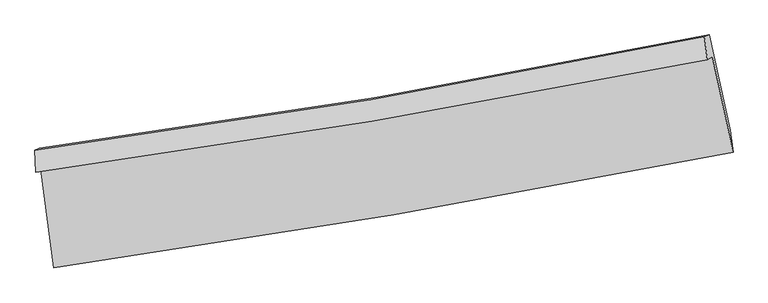
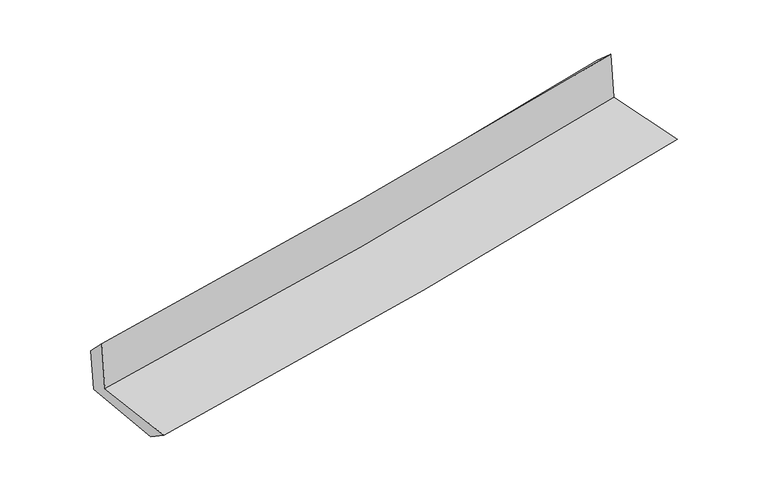
"""IFC4 building model written with IfcOpenShell, lengths in millimetres: proxy geometry."""

from ifc_helpers import new_model, si_unit, frame, origin, place, context, project, spatial, source, transform, mapped, element, save
from ifc_brep_helpers import plane_surface, spline_curve, spline_surface, advanced_brep


def generic_models_895ae613(model_context):
    return source(origin(), model_context, "Body", "AdvancedBrep", [
        advanced_brep(
        [(-2309.2007922, -1867.8184084, 1680.2871891), (-2220.4952421, -2538.6062013, 1657.3931065), (2394.7717183, -1752.8160839, 2098.2752002), (2254.302731, -1106.1298452, 2115.4695719), (-2345.1984222, -1888.7188188, 2090.4367416), (2219.4841772, -1126.2161559, 2510.9794102), (-2350.2139518, -1739.2619069, 1939.2041631), (2200.0085156, -969.525108, 2367.9768915), (-2319.0546213, -1726.5384937, 1591.5222278), (2232.5575672, -956.3523692, 2010.402428), (-2231.0735316, -2378.8483775, 1551.0370221), (2375.1355344, -1604.3886292, 1974.8188506)],
        [
            (0, 1),
            (1, 2, spline_curve(3, [(-2220.4952421, -2538.6062013, 1657.3931065), (-1448.347352774, -2430.311171186, 1726.320262009), (-678.352624533, -2310.818482405, 1797.45427013), (860.085172405, -2048.968931691, 1944.399105375), (1628.512764396, -1906.531581049, 2020.225795044), (2394.7717183, -1752.8160839, 2098.2752002)], [4, 2, 4], [0.0, 7.6558150112914864, 15.33909556852398])),
            (2, 3),
            (3, 0, spline_curve(3, [(2254.302731, -1106.1298452, 2115.4695719), (1496.699445702, -1257.108347036, 2038.316944652), (736.921020121, -1396.163988611, 1963.414519462), (-784.262344118, -1649.975086803, 1818.369784002), (-1545.651759647, -1764.815633179, 1748.211414979), (-2309.2007922, -1867.8184084, 1680.2871891)], [4, 2, 4], [0.0, 7.683280557232494, 15.33909556852398])),
            (4, 0),
            (3, 5),
            (5, 4, spline_curve(3, [(2219.4841772, -1126.2161559, 2510.9794102), (1460.963194253, -1277.779099655, 2444.534252755), (700.628132914, -1417.19452361, 2376.200325283), (-820.945680189, -1671.275385177, 2236.005956317), (-1582.171485316, -1786.027515668, 2164.158994381), (-2345.1984222, -1888.7188188, 2090.4367416)], [4, 2, 4], [0.0, 7.637801228619741, 15.24829948698214])),
            (6, 4),
            (5, 7),
            (7, 6, spline_curve(3, [(2200.0085156, -969.525108, 2367.9768915), (1445.178019971, -1125.154871722, 2293.46560656), (687.894228312, -1267.205070169, 2220.417540361), (-828.864102589, -1523.687090403, 2077.50373994), (-1588.321133222, -1638.215825071, 2007.627563447), (-2350.2139518, -1739.2619069, 1939.2041631)], [4, 2, 4], [0.0, 7.6278450170474486, 15.228422654466362])),
            (8, 6),
            (7, 9),
            (9, 8, spline_curve(3, [(2232.5575672, -956.3523692, 2010.402428), (1477.193517339, -1112.18278412, 1940.861774684), (719.527201173, -1254.370706462, 1871.121906056), (-797.693292121, -1511.002053133, 1731.493750905), (-1557.231038681, -1625.542838747, 1661.606886069), (-2319.0546213, -1726.5384937, 1591.5222278)], [4, 2, 4], [0.0, 7.618376791981885, 15.209520050550868])),
            (10, 8),
            (9, 11),
            (11, 10, spline_curve(3, [(2375.1355344, -1604.3886292, 1974.8188506), (1611.527097856, -1766.246330217, 1904.150660696), (845.179921796, -1911.799911433, 1833.438100021), (-690.242645468, -2169.83680385, 1692.177174112), (-1459.298491602, -2282.436472254, 1621.629124975), (-2231.0735316, -2378.8483775, 1551.0370221)], [4, 2, 4], [0.0, 7.664116548710579, 15.30083605736804])),
            (1, 10),
            (11, 2),
        ],
        [
            spline_surface(3, 3, [[(-2309.2007922, -1867.8184084, 1680.2871891), (-1545.651759655, -1764.815633212, 1748.211415025), (-784.262344132, -1649.975086916, 1818.369784066), (736.921020135, -1396.163988498, 1963.414519399), (1496.699445723, -1257.108347076, 2038.316944668), (2254.302731, -1106.1298452, 2115.4695719)], [(-2279.63227552, -2091.414339363, 1672.655828215), (-1513.216957383, -1986.647479171, 1740.914364004), (-748.959104262, -1870.256218772, 1811.39794611), (777.975737567, -1613.765636184, 1957.076048055), (1540.637218589, -1473.582758393, 2032.286561483), (2301.125726773, -1321.691924752, 2109.738114688)], [(-2250.06375878, -2315.010270337, 1665.024467385), (-1480.782155052, -2208.479325139, 1733.617313038), (-713.655864411, -2090.537350655, 1804.426108124), (819.030454982, -1831.367283897, 1950.73757668), (1584.574991434, -1690.057169756, 2026.256178235), (2347.948722527, -1537.254004348, 2104.006657412)], [(-2220.4952421, -2538.6062013, 1657.3931065), (-1448.34735278, -2430.311171097, 1726.320262017), (-678.352624541, -2310.818482512, 1797.454270168), (860.085172414, -2048.968931583, 1944.399105336), (1628.5127643, -1906.531581073, 2020.22579505), (2394.7717183, -1752.8160839, 2098.2752002)]], [4, 4], [4, 2, 4], [0.0, 2.188404717754831], [0.0, 7.6558150112914864, 15.33909556852398]),
            spline_surface(3, 3, [[(-2345.1984222, -1888.7188188, 2090.4367416), (-1582.171485197, -1786.027515599, 2164.158994284), (-820.945680091, -1671.275385228, 2236.005956274), (700.628132815, -1417.194523559, 2376.200325327), (1460.963194195, -1277.779099645, 2444.534252827), (2219.4841772, -1126.2161559, 2510.9794102)], [(-2333.199212195, -1881.752015334, 1953.720224114), (-1569.998243344, -1778.956888137, 2025.509801211), (-808.717901441, -1664.175285788, 2096.79389886), (712.725761918, -1410.184345202, 2238.605056673), (1472.87527803, -1270.88884879, 2309.128483411), (2231.090361792, -1119.520719001, 2379.142797404)], [(-2321.200002205, -1874.785211866, 1817.003706586), (-1557.825001507, -1771.886260674, 1886.860608097), (-796.490122781, -1657.075186356, 1957.58184148), (724.823391032, -1403.174166854, 2101.009788053), (1484.787361888, -1263.998597931, 2173.722714083), (2242.696546408, -1112.825282099, 2247.306184696)], [(-2309.2007922, -1867.8184084, 1680.2871891), (-1545.651759655, -1764.815633212, 1748.211415025), (-784.262344132, -1649.975086916, 1818.369784066), (736.921020135, -1396.163988498, 1963.414519399), (1496.699445723, -1257.108347076, 2038.316944668), (2254.302731, -1106.1298452, 2115.4695719)]], [4, 4], [4, 2, 4], [0.0, 1.3692238753546135], [0.0, 7.610498258362398, 15.24829948698214]),
            spline_surface(3, 3, [[(-2350.2139518, -1739.2619069, 1939.2041631), (-1588.32113334, -1638.215824953, 2007.62756357), (-828.864102533, -1523.687090449, 2077.503739983), (687.894228256, -1267.205070123, 2220.417540319), (1445.178019917, -1125.15487168, 2293.465606668), (2200.0085156, -969.525108, 2367.9768915)], [(-2348.542108583, -1789.080877526, 1989.615022595), (-1586.271250609, -1687.486388494, 2059.804707136), (-826.224628402, -1572.883188717, 2130.337812086), (692.138863093, -1317.20155461, 2272.345135327), (1450.439744684, -1176.029614328, 2343.821822051), (2206.500402808, -1021.755457294, 2415.644397731)], [(-2346.870265417, -1838.899848174, 2040.025882105), (-1584.221367928, -1736.756952058, 2111.981850717), (-823.585154222, -1622.07928696, 2183.171884171), (696.383497978, -1367.198039072, 2324.272730318), (1455.701469428, -1226.904356996, 2394.178037443), (2212.992289992, -1073.985806606, 2463.311903969)], [(-2345.1984222, -1888.7188188, 2090.4367416), (-1582.171485197, -1786.027515599, 2164.158994284), (-820.945680091, -1671.275385228, 2236.005956274), (700.628132815, -1417.194523559, 2376.200325327), (1460.963194195, -1277.779099645, 2444.534252827), (2219.4841772, -1126.2161559, 2510.9794102)]], [4, 4], [4, 2, 4], [0.0, 0.7108032242004135], [0.0, 7.600577637418914, 15.228422654466362]),
            spline_surface(3, 3, [[(-2319.0546213, -1726.5384937, 1591.5222278), (-1557.231038787, -1625.542838742, 1661.606886075), (-797.693292131, -1511.002053008, 1731.493750922), (719.527201182, -1254.370706587, 1871.12190604), (1477.193517354, -1112.182784145, 1940.861774617), (2232.5575672, -956.3523692, 2010.402428)], [(-2329.441064812, -1730.779631445, 1707.416206226), (-1567.59440365, -1629.767167491, 1776.947111899), (-808.083562252, -1515.230398818, 1846.830413952), (708.982876886, -1258.648827762, 1987.553784143), (1466.52168486, -1116.506813321, 2058.396385324), (2221.707883318, -960.743282131, 2129.593915857)], [(-2339.827508288, -1735.020769155, 1823.310184674), (-1577.957768477, -1633.991496205, 1892.287337745), (-818.473832412, -1519.458744638, 1962.167076952), (698.438552552, -1262.926948948, 2103.985662215), (1455.849852411, -1120.830842504, 2175.93099596), (2210.858199482, -965.134195069, 2248.785403643)], [(-2350.2139518, -1739.2619069, 1939.2041631), (-1588.32113334, -1638.215824953, 2007.62756357), (-828.864102533, -1523.687090449, 2077.503739983), (687.894228256, -1267.205070123, 2220.417540319), (1445.178019917, -1125.15487168, 2293.465606668), (2200.0085156, -969.525108, 2367.9768915)]], [4, 4], [4, 2, 4], [0.0, 1.1460210295940756], [0.0, 7.591143258568983, 15.209520050550868]),
            spline_surface(3, 3, [[(-2231.0735316, -2378.8483775, 1551.0370221), (-1459.298491486, -2282.436472179, 1621.629124977), (-690.242645564, -2169.836803937, 1692.177173998), (845.179921891, -1911.799911345, 1833.438100135), (1611.527097929, -1766.246330176, 1904.150660655), (2375.1355344, -1604.3886292, 1974.8188506)], [(-2260.400561478, -2161.411749561, 1564.532090664), (-1491.942673898, -2063.471927695, 1634.955045341), (-726.059527765, -1950.225220302, 1705.282699641), (803.295681643, -1692.6568431, 1845.999368771), (1566.749237742, -1548.225148176, 1916.387698648), (2327.609545338, -1388.376542544, 1986.680043073)], [(-2289.727591422, -1943.975121639, 1578.027159236), (-1524.586856375, -1844.507383226, 1648.280965711), (-761.876409929, -1730.613636644, 1718.38822528), (761.411441431, -1473.513774832, 1858.560637404), (1521.971377541, -1330.203966145, 1928.624736623), (2280.083556262, -1172.364455856, 1998.541235527)], [(-2319.0546213, -1726.5384937, 1591.5222278), (-1557.231038787, -1625.542838742, 1661.606886075), (-797.693292131, -1511.002053008, 1731.493750922), (719.527201182, -1254.370706587, 1871.12190604), (1477.193517354, -1112.182784145, 1940.861774617), (2232.5575672, -956.3523692, 2010.402428)]], [4, 4], [4, 2, 4], [0.0, 2.1964684921307347], [0.0, 7.63671950865746, 15.30083605736804]),
            spline_surface(3, 3, [[(-2220.4952421, -2538.6062013, 1657.3931065), (-1448.34735278, -2430.311171097, 1726.320262017), (-678.352624541, -2310.818482512, 1797.454270168), (860.085172414, -2048.968931583, 1944.399105336), (1628.5127643, -1906.531581073, 2020.22579505), (2394.7717183, -1752.8160839, 2098.2752002)], [(-2224.021338612, -2485.353593371, 1621.941078385), (-1451.99773236, -2381.019604795, 1691.423216356), (-682.315964869, -2263.824589653, 1762.361904762), (855.116755586, -2003.245924836, 1907.412103586), (1622.850875513, -1859.769830786, 1981.534083565), (2388.226323671, -1703.340265678, 2057.123083647)], [(-2227.547435088, -2432.100985429, 1586.489050215), (-1455.648111905, -2331.728038481, 1656.526170639), (-686.279305236, -2216.830696797, 1727.269539405), (850.148338719, -1957.522918092, 1870.425101885), (1617.188986715, -1813.008080463, 1942.84237214), (2381.680929029, -1653.864447422, 2015.970967153)], [(-2231.0735316, -2378.8483775, 1551.0370221), (-1459.298491486, -2282.436472179, 1621.629124977), (-690.242645564, -2169.836803937, 1692.177173998), (845.179921891, -1911.799911345, 1833.438100135), (1611.527097929, -1766.246330176, 1904.150660655), (2375.1355344, -1604.3886292, 1974.8188506)]], [4, 4], [4, 2, 4], [0.0, 0.5796199918800222], [0.0, 7.691402907017454, 15.410399032990947]),
            plane_surface(frame((2279.3767073, -1252.5713652, 2179.6537254), z_axis=(0.9732004033328182, 0.20883231301450822, 0.09628104690877971), x_axis=(-0.09059159434705226, -0.0366628011833832, 0.9952130435454747))),
            plane_surface(frame((-2295.8727602, -2023.2987011, 1751.6467417), z_axis=(-0.9874662574638718, -0.1274038408780834, -0.09315928134011457), x_axis=(-0.13102453067745515, 0.9908022182027235, 0.03381622044693182))),
        ],
        [
            (0, [[1, 2, 3, 4]]),
            (1, [[5, -4, 6, 7]]),
            (2, [[8, -7, 9, 10]]),
            (3, [[11, -10, 12, 13]]),
            (4, [[14, -13, 15, 16]]),
            (5, [[17, -16, 18, -2]]),
            (6, [[-12, -9, -6, -3, -18, -15]]),
            (7, [[-1, -5, -8, -11, -14, -17]]),
        ],
    ),
    ])


if __name__ == "__main__":
    model = new_model("IFC4")
    model_context = context("Model", 3, world=origin())
    ifc_project = project(units=[si_unit("LENGTHUNIT", "METRE", prefix="MILLI")], contexts=[model_context])
    site = spatial("IfcSite", under=ifc_project)
    building = spatial("IfcBuilding", under=site)
    placement = place(None, origin())
    generic_models_shape = generic_models_895ae613(model_context)
    element("IfcBuildingElementProxy", 1, Name="Generic Models", at=placement, inside=building, context=model_context, shape_type="MappedRepresentation", body=[
        mapped(generic_models_shape, transform((0.0, 0.0, 0.0), x_axis=(1.0, 0.0, 0.0), y_axis=(0.0, 1.0, 0.0), z_axis=(0.0, 0.0, 1.0))),
    ])
    save(model, "model.ifc")
